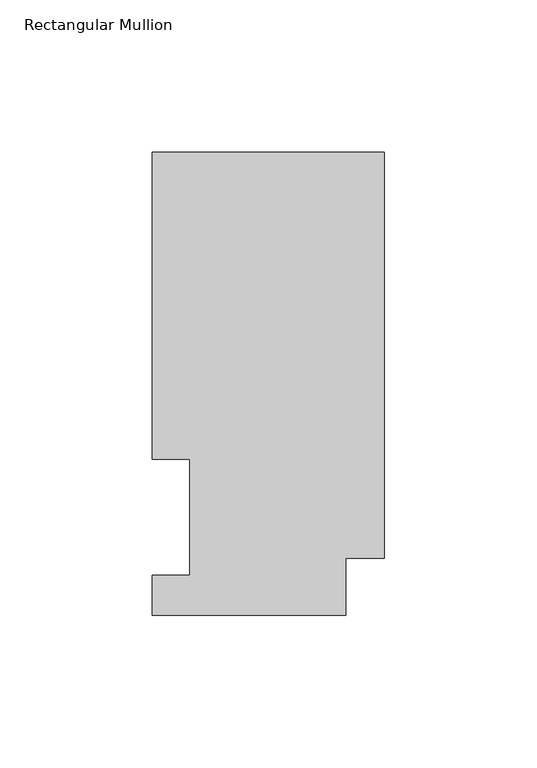
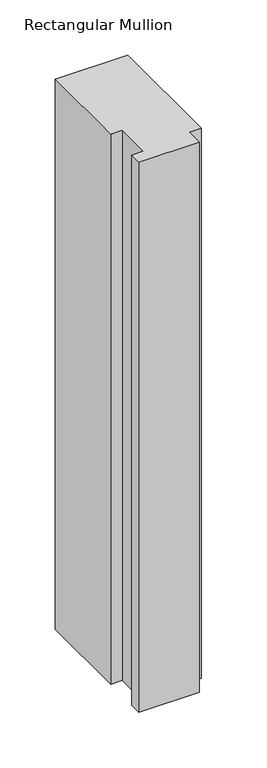
"""IFC4 building model written with IfcOpenShell, lengths in millimetres: member geometry, Rectangular Mullion."""

from ifc_helpers import new_model, si_unit, frame, origin, place, context, project, spatial, polyline, outline, extrude, source, transform, mapped, element, save


def rectangular_mullion_f13446ad(model_context):
    return source(origin(), model_context, "Body", "SweptSolid", [
        extrude(outline(polyline([(-76.2, 151.9816937), (0.0, 151.9816937), (0.0, 18.7332937), (-12.7, 18.7332937), (-12.7, 0.0134937), (-76.2, 0.0134937), (-76.2, 13.1960938), (-63.8581605, 13.1960937), (-63.8581605, 51.2960938), (-76.2, 51.2960938), (-76.2, 151.9816937)])), frame((0.0, 0.0, -609.6), z_axis=(0.0, 0.0, 1.0), x_axis=(1.0, 0.0, 0.0)), (0.0, 0.0, 1.0), 609.6),
    ])


if __name__ == "__main__":
    model = new_model("IFC4")
    model_context = context("Model", 3, world=origin())
    ifc_project = project(units=[si_unit("LENGTHUNIT", "METRE", prefix="MILLI")], contexts=[model_context])
    site = spatial("IfcSite", under=ifc_project)
    building = spatial("IfcBuilding", under=site)
    placement = place(None, origin())
    rectangular_mullion_shape = rectangular_mullion_f13446ad(model_context)
    element("IfcMember", 1, ObjectType="Rectangular Mullion", at=placement, inside=building, context=model_context, shape_type="MappedRepresentation", body=[
        mapped(rectangular_mullion_shape, transform((0.0, 0.0, 0.0), x_axis=(1.0, 0.0, 0.0), y_axis=(0.0, 1.0, 0.0), z_axis=(0.0, 0.0, 1.0))),
    ])
    save(model, "model.ifc")
